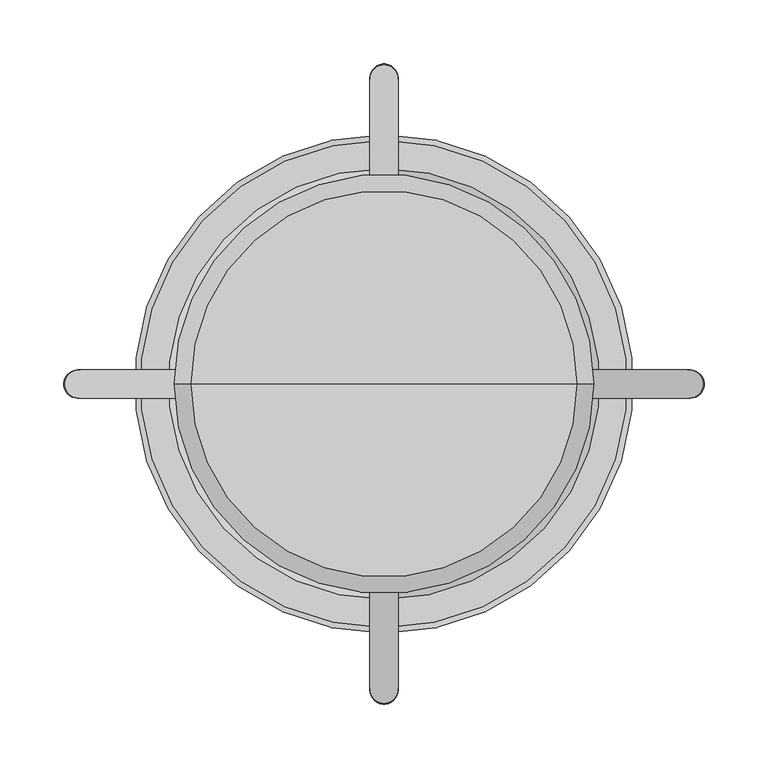
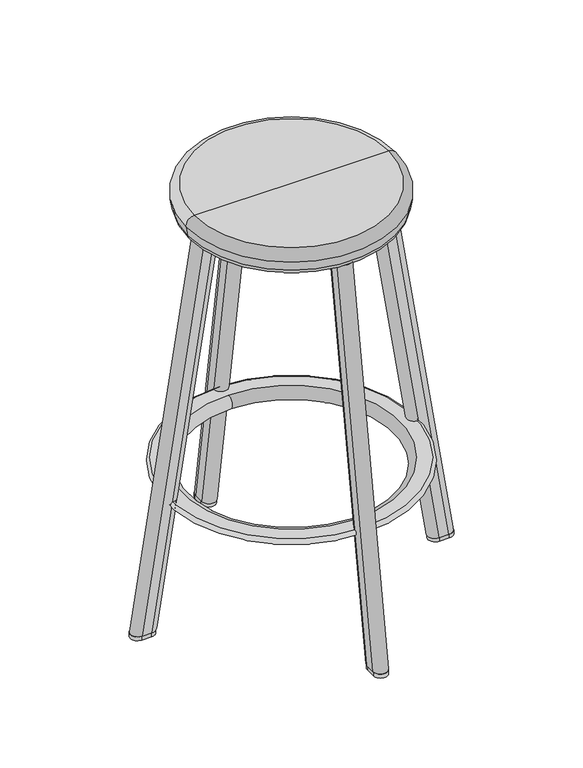
"""IFC4 building model written with IfcOpenShell, lengths in millimetres: furniture geometry."""

from ifc_helpers import new_model, si_unit, point, frame, frame_2d, origin, origin_with_axes, place, context, project, spatial, polyline, circle_curve, ellipse_curve, trimmed, segment, composite_curve, outline, extrude, source, transform, mapped, element, save
from ifc_brep_helpers import plane_surface, cylinder_surface, revolved_surface, advanced_brep


def furniture_6fff9fce(model_context):
    return source(origin(), model_context, "Body", "SolidModel", [
        advanced_brep(
        [(-161.4490082, 0.0, 630.6404658), (161.4490082, 0.0, 630.6404658), (148.9456, 0.0, 620.1664), (-148.9456, 0.0, 620.1664), (-164.1414082, 0.0, 645.7217158), (164.1414082, 0.0, 645.7217158), (-151.638, 0.0, 660.64765), (151.638, 0.0, 660.64765), (0.0, 0.0, 660.64765), (0.0, 0.0, 620.1664)],
        [
            (0, 1, circle_curve(frame((0.0, 0.0, 630.6404658), z_axis=(0.0, 0.0, -1.0), x_axis=(1.0, 0.0, 0.0)), 161.4490082)),
            (1, 2, circle_curve(frame((148.9456, 0.0, 632.8664), z_axis=(0.0, 1.0, 0.0), x_axis=(1.0, 0.0, 0.0)), 12.7)),
            (2, 3, circle_curve(frame((0.0, 0.0, 620.1664), z_axis=(0.0, 0.0, 1.0), x_axis=(1.0, 0.0, 0.0)), 148.9456)),
            (3, 0, circle_curve(frame((-148.9456, 0.0, 632.8664), z_axis=(0.0, 1.0, 0.0), x_axis=(-1.0, 0.0, 0.0)), 12.7)),
            (1, 0, circle_curve(frame((0.0, 0.0, 630.6404658), z_axis=(0.0, 0.0, -1.0), x_axis=(1.0, 0.0, 0.0)), 161.4490082)),
            (3, 2, circle_curve(frame((0.0, 0.0, 620.1664), z_axis=(0.0, 0.0, 1.0), x_axis=(1.0, 0.0, 0.0)), 148.9456)),
            (4, 5, circle_curve(frame((0.0, 0.0, 645.7217158), z_axis=(0.0, 0.0, -1.0), x_axis=(1.0, 0.0, 0.0)), 164.1414082)),
            (5, 1),
            (0, 4),
            (5, 4, circle_curve(frame((0.0, 0.0, 645.7217158), z_axis=(0.0, 0.0, -1.0), x_axis=(1.0, 0.0, 0.0)), 164.1414082)),
            (6, 7, circle_curve(frame((0.0, 0.0, 660.64765), z_axis=(0.0, 0.0, -1.0), x_axis=(1.0, 0.0, 0.0)), 151.638)),
            (7, 5, circle_curve(frame((151.638, 0.0, 647.94765), z_axis=(0.0, 1.0, 0.0), x_axis=(1.0, 0.0, 0.0)), 12.7)),
            (4, 6, circle_curve(frame((-151.638, 0.0, 647.94765), z_axis=(0.0, 1.0, 0.0), x_axis=(-1.0, 0.0, 0.0)), 12.7)),
            (7, 6, circle_curve(frame((0.0, 0.0, 660.64765), z_axis=(0.0, 0.0, -1.0), x_axis=(1.0, 0.0, 0.0)), 151.638)),
            (8, 7),
            (6, 8),
            (2, 9),
            (9, 3),
        ],
        [
            revolved_surface(trimmed(ellipse_curve(frame((148.9456, 0.0, 632.8664), z_axis=(0.0, -1.0, 0.0), x_axis=(1.0, 0.0, 0.0)), 12.7, 12.7), [point((148.9456, 0.0, 620.1664))], [point((161.4490082, 0.0, 630.6404658))], True, "CARTESIAN"), (0.0, 0.0, 690.0164), (0.0, 0.0, 1.0)),
            revolved_surface(polyline([(161.4490082, 0.0, 630.6404658), (164.1414082, 0.0, 645.7217158)]), (0.0, 0.0, 690.0164), (0.0, 0.0, 1.0)),
            revolved_surface(trimmed(ellipse_curve(frame((151.638, 0.0, 647.94765), z_axis=(0.0, -1.0, 0.0), x_axis=(1.0, 0.0, 0.0)), 12.7, 12.7), [point((164.1414082, 0.0, 645.7217158))], [point((151.638, 0.0, 660.64765))], True, "CARTESIAN"), (0.0, 0.0, 690.0164), (0.0, 0.0, 1.0)),
            plane_surface(frame((0.0, 0.0, 660.64765), z_axis=(0.0, 0.0, 1.0), x_axis=(1.0, 0.0, 0.0))),
            plane_surface(frame((0.0, 0.0, 620.1664), z_axis=(0.0, 0.0, -1.0), x_axis=(1.0, 0.0, 0.0))),
        ],
        [
            (0, [[1, 2, 3, 4]]),
            (0, [[5, -4, 6, -2]]),
            (1, [[7, 8, -1, 9]]),
            (1, [[10, -9, -5, -8]]),
            (2, [[11, 12, -7, 13]]),
            (2, [[14, -13, -10, -12]]),
            (3, [[15, -11, 16]]),
            (3, [[-16, -14, -15]]),
            (4, [[-3, 17, 18]]),
            (4, [[-6, -18, -17]]),
        ],
    ),
        advanced_brep(
        [(0.0, -168.8255184, 209.6947553), (0.0, 168.8255184, 209.6947553), (0.0, 174.2197397, 190.2438217), (0.0, -174.2197397, 190.2438217), (0.0, -193.2895368, 201.7021118), (0.0, 193.2895368, 201.7021118), (0.0, 191.0729806, 209.6947553), (0.0, -191.0729806, 209.6947553)],
        [
            (0, 1, circle_curve(frame((0.0, 0.0, 209.6947553), z_axis=(0.0, 0.0, 1.0), x_axis=(0.0, 1.0, 0.0)), 168.8255184)),
            (1, 2, circle_curve(frame((0.0, 168.8255184, 199.2213135), z_axis=(1.0, 0.0, 0.0), x_axis=(0.0, 1.0, 0.0)), 10.4734418)),
            (2, 3, circle_curve(frame((0.0, 0.0, 190.2438217), z_axis=(0.0, 0.0, -1.0), x_axis=(0.0, 1.0, 0.0)), 174.2197397)),
            (3, 0, circle_curve(frame((0.0, -168.8255184, 199.2213135), z_axis=(1.0, 0.0, 0.0), x_axis=(0.0, -1.0, 0.0)), 10.4734418)),
            (4, 5, circle_curve(frame((0.0, 0.0, 201.7021118), z_axis=(0.0, 0.0, 1.0), x_axis=(0.0, 1.0, 0.0)), 193.2895368)),
            (5, 6, circle_curve(frame((0.0, 191.0729806, 205.3910808), z_axis=(1.0, 0.0, 0.0), x_axis=(0.0, 1.0, 0.0)), 4.3036745)),
            (6, 7, circle_curve(frame((0.0, 0.0, 209.6947553), z_axis=(0.0, 0.0, -1.0), x_axis=(0.0, 1.0, 0.0)), 191.0729806)),
            (7, 4, circle_curve(frame((0.0, -191.0729806, 205.3910808), z_axis=(1.0, 0.0, 0.0), x_axis=(0.0, -1.0, 0.0)), 4.3036745)),
            (2, 5),
            (4, 3),
            (1, 0, circle_curve(frame((0.0, 0.0, 209.6947553), z_axis=(0.0, 0.0, 1.0), x_axis=(0.0, -1.0, 0.0)), 168.8255184)),
            (3, 2, circle_curve(frame((0.0, 0.0, 190.2438217), z_axis=(0.0, 0.0, -1.0), x_axis=(0.0, -1.0, 0.0)), 174.2197397)),
            (6, 7, circle_curve(frame((0.0, 0.0, 209.6947553), z_axis=(0.0, 0.0, 1.0), x_axis=(0.0, -1.0, 0.0)), 191.0729806)),
            (5, 4, circle_curve(frame((0.0, 0.0, 201.7021118), z_axis=(0.0, 0.0, 1.0), x_axis=(0.0, -1.0, 0.0)), 193.2895368)),
        ],
        [
            revolved_surface(trimmed(ellipse_curve(frame((0.0, 168.8255184, 199.2213135), z_axis=(-1.0, 0.0, 0.0), x_axis=(0.0, 1.0, 0.0)), 10.4734418, 10.4734418), [point((0.0, 174.2197397, 190.2438217))], [point((0.0, 168.8255184, 209.6947553))], True, "CARTESIAN"), (0.0, 0.0, 188.9252), (0.0, 0.0, -1.0)),
            revolved_surface(trimmed(ellipse_curve(frame((0.0, 191.0729806, 205.3910808), z_axis=(-1.0, 0.0, 0.0), x_axis=(0.0, 1.0, 0.0)), 4.3036745, 4.3036745), [point((0.0, 191.0729806, 209.6947553))], [point((0.0, 193.2895368, 201.7021118))], True, "CARTESIAN"), (0.0, 0.0, 188.9252), (0.0, 0.0, -1.0)),
            revolved_surface(polyline([(0.0, 193.2895368, 201.7021118), (0.0, 174.2197397, 190.2438217)]), (0.0, 0.0, 188.9252), (0.0, 0.0, -1.0)),
            revolved_surface(trimmed(ellipse_curve(frame((0.0, -168.8255184, 199.2213135), z_axis=(1.0, 0.0, 0.0), x_axis=(0.0, -1.0, 0.0)), 10.4734418, 10.4734418), [point((0.0, -174.2197397, 190.2438217))], [point((0.0, -168.8255184, 209.6947553))], True, "CARTESIAN"), (0.0, 0.0, 188.9252), (0.0, 0.0, -1.0)),
            plane_surface(frame((0.0, 0.0, 209.6947553), z_axis=(0.0, 0.0, 1.0), x_axis=(0.0, -1.0, 0.0))),
            revolved_surface(trimmed(ellipse_curve(frame((0.0, -191.0729806, 205.3910808), z_axis=(1.0, 0.0, 0.0), x_axis=(0.0, -1.0, 0.0)), 4.3036745, 4.3036745), [point((0.0, -191.0729806, 209.6947553))], [point((0.0, -193.2895368, 201.7021118))], True, "CARTESIAN"), (0.0, 0.0, 188.9252), (0.0, 0.0, -1.0)),
            revolved_surface(polyline([(0.0, -193.2895368, 201.7021118), (0.0, -174.2197397, 190.2438217)]), (0.0, 0.0, 188.9252), (0.0, 0.0, -1.0)),
        ],
        [
            (0, [[1, 2, 3, 4]]),
            (1, [[5, 6, 7, 8]]),
            (2, [[-3, 9, -5, 10]]),
            (3, [[11, -4, 12, -2]]),
            (4, [[13, -7], [-11, -1]]),
            (5, [[14, -8, -13, -6]]),
            (6, [[-12, -10, -14, -9]]),
        ],
    ),
        advanced_brep(
        [(-11.1252, 238.9381688, 6.35), (11.1252, 238.9381688, 6.35), (11.1252, 222.8679323, 6.35), (-11.1252, 222.8679323, 6.35), (-11.1252, 134.3406, 620.1664), (11.1252, 134.3406, 620.1664), (11.1252, 142.3757182, 620.1664), (-11.1252, 142.3757182, 620.1664), (-11.1252, 126.4995323, 618.9328834), (11.1252, 126.4995323, 618.9328834)],
        [
            (0, 1, ellipse_curve(frame((0.0, 238.9381688, 6.35), z_axis=(0.0, 0.0, -1.0), x_axis=(0.0, -1.0, 0.0)), 11.2620217, 11.1252)),
            (1, 2),
            (2, 3, ellipse_curve(frame((0.0, 222.8679323, 6.35), z_axis=(0.0, 0.0, -1.0), x_axis=(0.0, -1.0, 0.0)), 11.2620217, 11.1252)),
            (3, 0),
            (4, 5),
            (5, 6),
            (6, 7, ellipse_curve(frame((0.0, 142.3757182, 620.1664), z_axis=(0.0, 0.0, 1.0), x_axis=(0.0, -1.0, 0.0)), 11.2620217, 11.1252)),
            (7, 4),
            (8, 9, circle_curve(frame((0.0, 126.4995323, 618.9328834), z_axis=(0.0, -0.15540366524148752, 0.9878510519453385), x_axis=(0.0, 0.9878510519453385, 0.15540366524148752)), 11.1252)),
            (9, 5),
            (4, 8),
            (6, 1),
            (0, 7),
            (3, 8),
            (2, 9),
        ],
        [
            plane_surface(frame((295.8666439, -260.6068607, 6.35), z_axis=(0.0, 0.0, -1.0), x_axis=(0.0, 1.0, 0.0))),
            plane_surface(frame((-229.2998342, -260.6068607, 620.1664), z_axis=(0.0, 0.0, 1.0), x_axis=(0.0, 1.0, 0.0))),
            plane_surface(frame((0.0, 134.3406, 620.1664), z_axis=(0.0, -0.1554036652414875, 0.9878510519453385), x_axis=(1.0, 0.0, 0.0))),
            cylinder_surface(frame((0.0, 142.1816677, 621.3999166), z_axis=(0.0, -0.15540366524148752, 0.9878510519453385), x_axis=(0.0, 0.9878510519453385, 0.15540366524148752)), 11.1252),
            plane_surface(frame((-11.1252, 142.1816677, 621.3999166), z_axis=(-1.0000000000000002, 0.0, 0.0), x_axis=(0.0, 0.15540366524148758, -0.9878510519453385))),
            cylinder_surface(frame((0.0, 126.4995323, 618.9328834), z_axis=(0.0, -0.15540366524148752, 0.9878510519453385), x_axis=(0.0, 0.9878510519453385, 0.15540366524148752)), 11.1252),
            plane_surface(frame((11.1252, 126.4995323, 618.9328834), z_axis=(1.0000000000000002, 0.0, 0.0), x_axis=(0.0, 0.15540366524148755, -0.9878510519453385))),
        ],
        [
            (0, [[1, 2, 3, 4]]),
            (1, [[5, 6, 7, 8]]),
            (2, [[9, 10, -5, 11]]),
            (3, [[12, -1, 13, -7]]),
            (4, [[-11, -8, -13, -4, 14]]),
            (5, [[-9, -14, -3, 15]]),
            (6, [[-10, -15, -2, -12, -6]]),
        ],
    ),
        advanced_brep(
        [(11.1252, -238.9381688, 6.35), (-11.1252, -238.9381688, 6.35), (-11.1252, -222.8679323, 6.35), (11.1252, -222.8679323, 6.35), (11.1252, -134.3406, 620.1664), (-11.1252, -134.3406, 620.1664), (-11.1252, -142.3757182, 620.1664), (11.1252, -142.3757182, 620.1664), (11.1252, -126.4995323, 618.9328834), (-11.1252, -126.4995323, 618.9328834)],
        [
            (0, 1, ellipse_curve(frame((0.0, -238.9381688, 6.35), z_axis=(0.0, 0.0, -1.0), x_axis=(0.0, 1.0, 0.0)), 11.2620217, 11.1252)),
            (1, 2),
            (2, 3, ellipse_curve(frame((0.0, -222.8679323, 6.35), z_axis=(0.0, 0.0, -1.0), x_axis=(0.0, 1.0, 0.0)), 11.2620217, 11.1252)),
            (3, 0),
            (4, 5),
            (5, 6),
            (6, 7, ellipse_curve(frame((0.0, -142.3757182, 620.1664), z_axis=(0.0, 0.0, 1.0), x_axis=(0.0, 0.9999999999999999, 0.0)), 11.2620217, 11.1252)),
            (7, 4),
            (8, 9, circle_curve(frame((0.0, -126.4995323, 618.9328834), z_axis=(0.0, 0.15540366524090365, 0.9878510519454303), x_axis=(0.0, -0.9878510519454303, 0.15540366524090365)), 11.1252)),
            (9, 5),
            (4, 8),
            (6, 1),
            (0, 7),
            (9, 2),
            (8, 3),
        ],
        [
            plane_surface(frame((295.8666439, -260.6068607, 6.35), z_axis=(0.0, 0.0, -1.0), x_axis=(0.0, 1.0, 0.0))),
            plane_surface(frame((-229.2998342, -260.6068607, 620.1664), z_axis=(0.0, 0.0, 1.0), x_axis=(0.0, 1.0, 0.0))),
            plane_surface(frame((0.0, -134.3406, 620.1664), z_axis=(0.0, 0.15540366524090363, 0.9878510519454303), x_axis=(1.0, 0.0, 0.0))),
            cylinder_surface(frame((0.0, -142.1816677, 621.3999166), z_axis=(0.0, 0.15540366524090365, 0.9878510519454303), x_axis=(0.0, -0.9878510519454303, 0.15540366524090365)), 11.1252),
            plane_surface(frame((-11.1252, -126.4995323, 618.9328834), z_axis=(-1.0, 0.0, 0.0), x_axis=(0.0, -0.15540366524090365, -0.9878510519454303))),
            cylinder_surface(frame((0.0, -126.4995323, 618.9328834), z_axis=(0.0, 0.15540366524090365, 0.9878510519454303), x_axis=(0.0, -0.9878510519454303, 0.15540366524090365)), 11.1252),
            plane_surface(frame((11.1252, -142.1816677, 621.3999166), z_axis=(1.0, 0.0, 0.0), x_axis=(0.0, -0.15540366524090368, -0.9878510519454303))),
        ],
        [
            (0, [[1, 2, 3, 4]]),
            (1, [[5, 6, 7, 8]]),
            (2, [[9, 10, -5, 11]]),
            (3, [[12, -1, 13, -7]]),
            (4, [[-10, 14, -2, -12, -6]]),
            (5, [[-9, 15, -3, -14]]),
            (6, [[-11, -8, -13, -4, -15]]),
        ],
    ),
        advanced_brep(
        [(238.9381688, 11.1252, 6.35), (238.9381688, -11.1252, 6.35), (222.8679323, -11.1252, 6.35), (222.8679323, 11.1252, 6.35), (134.3406, 11.1252, 620.1664), (134.3406, -11.1252, 620.1664), (142.3757182, -11.1252, 620.1664), (142.3757182, 11.1252, 620.1664), (126.4995323, 11.1252, 618.9328834), (126.4995323, -11.1252, 618.9328834)],
        [
            (0, 1, ellipse_curve(frame((238.9381688, 0.0, 6.35), z_axis=(0.0, 0.0, -1.0), x_axis=(-1.0, 0.0, 0.0)), 11.2620217, 11.1252)),
            (1, 2),
            (2, 3, ellipse_curve(frame((222.8679323, 0.0, 6.35), z_axis=(0.0, 0.0, -1.0), x_axis=(-1.0, 0.0, 0.0)), 11.2620217, 11.1252)),
            (3, 0),
            (4, 5),
            (5, 6),
            (6, 7, ellipse_curve(frame((142.3757182, 0.0, 620.1664), z_axis=(0.0, 0.0, 1.0), x_axis=(-1.0, 0.0, 0.0)), 11.2620217, 11.1252)),
            (7, 4),
            (8, 9, circle_curve(frame((126.4995323, 0.0, 618.9328834), z_axis=(-0.15540366524090582, 0.0, 0.98785105194543), x_axis=(0.98785105194543, 0.0, 0.15540366524090582)), 11.1252)),
            (9, 5),
            (4, 8),
            (6, 1),
            (0, 7),
            (3, 8),
            (2, 9),
        ],
        [
            plane_surface(frame((295.8666439, -260.6068607, 6.35), z_axis=(0.0, 0.0, -1.0), x_axis=(0.0, 1.0, 0.0))),
            plane_surface(frame((-229.2998342, -260.6068607, 620.1664), z_axis=(0.0, 0.0, 1.0), x_axis=(0.0, 1.0, 0.0))),
            plane_surface(frame((134.3406, 0.0, 620.1664), z_axis=(-0.15540366524090582, 0.0, 0.98785105194543), x_axis=(0.0, -1.0, 0.0))),
            cylinder_surface(frame((142.1816677, 0.0, 621.3999166), z_axis=(-0.15540366524090582, 0.0, 0.98785105194543), x_axis=(0.98785105194543, 0.0, 0.15540366524090582)), 11.1252),
            plane_surface(frame((142.1816677, 11.1252, 621.3999166), z_axis=(0.0, 1.0, 0.0), x_axis=(0.15540366524090585, 0.0, -0.98785105194543))),
            cylinder_surface(frame((126.4995323, 0.0, 618.9328834), z_axis=(-0.15540366524090582, 0.0, 0.98785105194543), x_axis=(0.98785105194543, 0.0, 0.15540366524090582)), 11.1252),
            plane_surface(frame((126.4995323, -11.1252, 618.9328834), z_axis=(0.0, -1.0, 0.0), x_axis=(0.15540366524090582, 0.0, -0.98785105194543))),
        ],
        [
            (0, [[1, 2, 3, 4]]),
            (1, [[5, 6, 7, 8]]),
            (2, [[9, 10, -5, 11]]),
            (3, [[12, -1, 13, -7]]),
            (4, [[-11, -8, -13, -4, 14]]),
            (5, [[-9, -14, -3, 15]]),
            (6, [[-10, -15, -2, -12, -6]]),
        ],
    ),
        advanced_brep(
        [(-238.9381572, -11.1252, 6.35), (-238.9381572, 11.1252, 6.35), (-222.8679151, 11.1252, 6.35), (-222.8679151, -11.1252, 6.35), (-134.3391959, -11.1252, 620.1664), (-134.3391959, 11.1252, 620.1664), (-142.3743169, 11.1252, 620.1664), (-142.3743169, -11.1252, 620.1664), (-126.4981309, -11.1252, 618.9328661), (-126.4981309, 11.1252, 618.9328661)],
        [
            (0, 1, ellipse_curve(frame((-238.9381572, 0.0, 6.35), z_axis=(0.0, 0.0, -1.0), x_axis=(1.0, 0.0, 0.0)), 11.2620256, 11.1252)),
            (1, 2),
            (2, 3, ellipse_curve(frame((-222.8679151, 0.0, 6.35), z_axis=(0.0, 0.0, -1.0), x_axis=(1.0, 0.0, 0.0)), 11.2620256, 11.1252)),
            (3, 0),
            (4, 5),
            (5, 6),
            (6, 7, ellipse_curve(frame((-142.3743169, 0.0, 620.1664), z_axis=(0.0, 0.0, 1.0), x_axis=(1.0, 0.0, 0.0)), 11.2620256, 11.1252)),
            (7, 4),
            (8, 9, circle_curve(frame((-126.4981309, 0.0, 618.9328661), z_axis=(0.1554058477647152, 0.0, 0.987850708599498), x_axis=(-0.987850708599498, 0.0, 0.1554058477647152)), 11.1252)),
            (9, 5),
            (4, 8),
            (6, 1),
            (0, 7),
            (9, 2),
            (8, 3),
        ],
        [
            plane_surface(frame((295.8666439, -260.6068607, 6.35), z_axis=(0.0, 0.0, -1.0), x_axis=(0.0, 1.0, 0.0))),
            plane_surface(frame((-229.2998342, -260.6068607, 620.1664), z_axis=(0.0, 0.0, 1.0), x_axis=(0.0, 1.0, 0.0))),
            plane_surface(frame((-134.3391959, 0.0, 620.1664), z_axis=(0.1554058477647152, 0.0, 0.987850708599498), x_axis=(0.0, -1.0, 0.0))),
            cylinder_surface(frame((-142.1802609, 0.0, 621.3999339), z_axis=(0.1554058477647152, 0.0, 0.987850708599498), x_axis=(-0.987850708599498, 0.0, 0.1554058477647152)), 11.1252),
            plane_surface(frame((-126.4981309, 11.1252, 618.9328661), z_axis=(0.0, 1.0000000000000002, 0.0), x_axis=(-0.15540584776471517, 0.0, -0.987850708599498))),
            cylinder_surface(frame((-126.4981309, 0.0, 618.9328661), z_axis=(0.1554058477647152, 0.0, 0.987850708599498), x_axis=(-0.987850708599498, 0.0, 0.1554058477647152)), 11.1252),
            plane_surface(frame((-142.1802609, -11.1252, 621.3999339), z_axis=(0.0, -1.0000000000000002, 0.0), x_axis=(-0.15540584776471517, 0.0, -0.987850708599498))),
        ],
        [
            (0, [[1, 2, 3, 4]]),
            (1, [[5, 6, 7, 8]]),
            (2, [[9, 10, -5, 11]]),
            (3, [[12, -1, 13, -7]]),
            (4, [[-10, 14, -2, -12, -6]]),
            (5, [[-9, 15, -3, -14]]),
            (6, [[-11, -8, -13, -4, -15]]),
        ],
    ),
        extrude(outline(composite_curve([segment(polyline([(11.1252, -223.9645), (11.1252, -239.8395)]), True, "CONTINUOUS"), segment(trimmed(circle_curve(frame_2d((0.0, -239.8395)), 11.1252), [point((11.1252, -239.8395))], [point((-11.1252, -239.8395))], False, "CARTESIAN"), True, "CONTINUOUS"), segment(polyline([(-11.1252, -239.8395), (-11.1252, -223.9645)]), True, "CONTINUOUS"), segment(trimmed(circle_curve(frame_2d((0.0, -223.9645)), 11.1252), [point((-11.1252, -223.9645))], [point((11.1252, -223.9645))], False, "CARTESIAN"), True, "CONTINUOUS")], self_intersect=False)), origin_with_axes(), (0.0, 0.0, 1.0), 6.35),
        extrude(outline(composite_curve([segment(trimmed(circle_curve(frame_2d((0.0, 223.9645)), 11.1252), [point((11.1252, 223.9645))], [point((-11.1252, 223.9645))], False, "CARTESIAN"), True, "CONTINUOUS"), segment(polyline([(-11.1252, 223.9645), (-11.1252, 239.8395)]), True, "CONTINUOUS"), segment(trimmed(circle_curve(frame_2d((0.0, 239.8395)), 11.1252), [point((-11.1252, 239.8395))], [point((11.1252, 239.8395))], False, "CARTESIAN"), True, "CONTINUOUS"), segment(polyline([(11.1252, 239.8395), (11.1252, 223.9645)]), True, "CONTINUOUS")], self_intersect=False)), origin_with_axes(), (0.0, 0.0, 1.0), 6.35),
        extrude(outline(composite_curve([segment(polyline([(-223.9645, -11.1252), (-239.8395, -11.1252)]), True, "CONTINUOUS"), segment(trimmed(circle_curve(frame_2d((-239.8395, 0.0)), 11.1252), [point((-239.8395, -11.1252))], [point((-239.8395, 11.1252))], False, "CARTESIAN"), True, "CONTINUOUS"), segment(polyline([(-239.8395, 11.1252), (-223.9645, 11.1252)]), True, "CONTINUOUS"), segment(trimmed(circle_curve(frame_2d((-223.9645, 0.0)), 11.1252), [point((-223.9645, 11.1252))], [point((-223.9645, -11.1252))], False, "CARTESIAN"), True, "CONTINUOUS")], self_intersect=False)), origin_with_axes(), (0.0, 0.0, 1.0), 6.35),
        extrude(outline(composite_curve([segment(trimmed(circle_curve(frame_2d((223.9645, 0.0)), 11.1252), [point((223.9645, -11.1252))], [point((223.9645, 11.1252))], False, "CARTESIAN"), True, "CONTINUOUS"), segment(polyline([(223.9645, 11.1252), (239.8395, 11.1252)]), True, "CONTINUOUS"), segment(trimmed(circle_curve(frame_2d((239.8395, 0.0)), 11.1252), [point((239.8395, 11.1252))], [point((239.8395, -11.1252))], False, "CARTESIAN"), True, "CONTINUOUS"), segment(polyline([(239.8395, -11.1252), (223.9645, -11.1252)]), True, "CONTINUOUS")], self_intersect=False)), origin_with_axes(), (0.0, 0.0, 1.0), 6.35),
    ])


if __name__ == "__main__":
    model = new_model("IFC4")
    model_context = context("Model", 3, world=origin())
    ifc_project = project(units=[si_unit("LENGTHUNIT", "METRE", prefix="MILLI")], contexts=[model_context])
    site = spatial("IfcSite", under=ifc_project)
    building = spatial("IfcBuilding", under=site)
    placement = place(None, origin())
    furniture_shape = furniture_6fff9fce(model_context)
    element("IfcFurniture", 1, at=placement, inside=building, context=model_context, shape_type="MappedRepresentation", body=[
        mapped(furniture_shape, transform((0.0, 0.0, 0.0), x_axis=(1.0, 0.0, 0.0), y_axis=(0.0, 1.0, 0.0), z_axis=(0.0, 0.0, 1.0))),
    ])
    save(model, "model.ifc")
